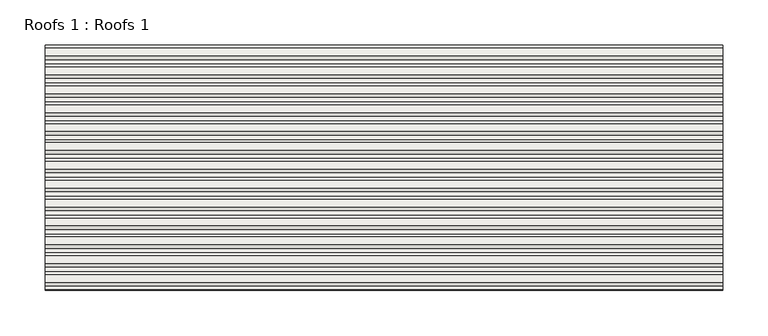
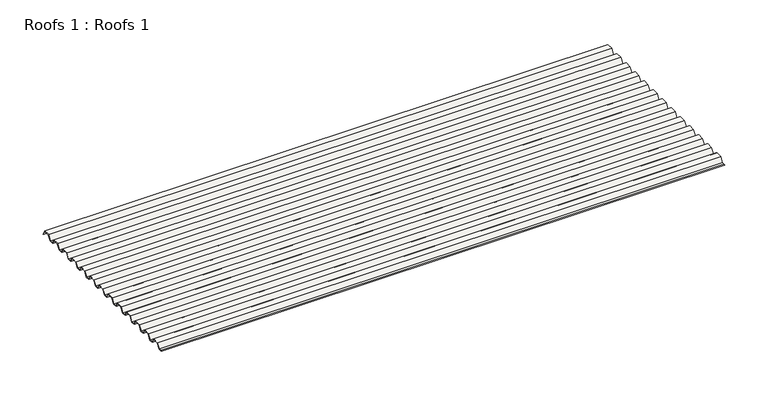
"""IFC4 building model written with IfcOpenShell, lengths in millimetres: roof geometry, Roofs 1 : Roofs 1."""

from ifc_helpers import new_model, si_unit, frame, origin, place, context, project, spatial, polyline, outline, extrude, source, transform, mapped, element, save


def roofs_1_roofs_1_76a8a15b(model_context):
    return source(origin(), model_context, "Body", "SweptSolid", [
        extrude(outline(polyline([(-9972.9350025, 23.8967546), (-9978.2553544, 23.8967546), (-9976.7737795, 24.2936296), (-9973.1504699, 24.2936296), (-9969.0285984, 30.639777), (-9960.3688636, 30.639777), (-9957.1359028, 24.2936296), (-9952.2742428, 24.2936296), (-9948.1523713, 30.639777), (-9939.4926365, 30.639777), (-9936.2596757, 24.2936296), (-9931.3980158, 24.2936296), (-9927.2761442, 30.639777), (-9918.6164094, 30.639777), (-9915.3834486, 24.2936296), (-9910.5217887, 24.2936296), (-9906.3999172, 30.639777), (-9897.7401824, 30.639777), (-9894.5072216, 24.2936296), (-9889.6455616, 24.2936296), (-9885.5236901, 30.639777), (-9876.8639553, 30.639777), (-9873.6309945, 24.2936296), (-9868.7693346, 24.2936296), (-9864.647463, 30.639777), (-9855.9877282, 30.639777), (-9852.7547674, 24.2936296), (-9847.8931075, 24.2936296), (-9843.7712359, 30.639777), (-9835.1115012, 30.639777), (-9831.8785404, 24.2936296), (-9827.0168804, 24.2936296), (-9822.8950089, 30.639777), (-9814.2352741, 30.639777), (-9811.0023133, 24.2936296), (-9806.1406534, 24.2936296), (-9802.0187818, 30.639777), (-9793.359047, 30.639777), (-9790.1260862, 24.2936296), (-9785.2644263, 24.2936296), (-9781.1425547, 30.639777), (-9772.4828199, 30.639777), (-9769.2498592, 24.2936296), (-9764.3881992, 24.2936296), (-9760.2663277, 30.639777), (-9751.6065929, 30.639777), (-9748.3736321, 24.2936296), (-9743.5119722, 24.2936296), (-9739.3901006, 30.639777), (-9730.7303658, 30.639777), (-9727.497405, 24.2936296), (-9722.6357451, 24.2936296), (-9718.5138735, 30.639777), (-9709.8541387, 30.639777), (-9706.89711, 24.8352711), (-9706.8644025, 23.8967546), (-9710.0973633, 30.242902), (-9718.2984061, 30.242902), (-9722.4202776, 23.8967546), (-9727.7406296, 23.8967546), (-9730.9735903, 30.242902), (-9739.1746331, 30.242902), (-9743.2965047, 23.8967546), (-9748.6168566, 23.8967546), (-9751.8498174, 30.242902), (-9760.0508602, 30.242902), (-9764.1727318, 23.8967546), (-9769.4930837, 23.8967546), (-9772.7260445, 30.242902), (-9780.9270873, 30.242902), (-9785.0489588, 23.8967546), (-9790.3693108, 23.8967546), (-9793.6022715, 30.242902), (-9801.8033144, 30.242902), (-9805.9251859, 23.8967546), (-9811.2455378, 23.8967546), (-9814.4784986, 30.242902), (-9822.6795414, 30.242902), (-9826.801413, 23.8967546), (-9832.1217649, 23.8967546), (-9835.3547257, 30.242902), (-9843.5557685, 30.242902), (-9847.67764, 23.8967546), (-9852.997992, 23.8967546), (-9856.2309528, 30.242902), (-9864.4319956, 30.242902), (-9868.5538671, 23.8967546), (-9873.874219, 23.8967546), (-9877.1071798, 30.242902), (-9885.3082226, 30.242902), (-9889.4300942, 23.8967546), (-9894.7504461, 23.8967546), (-9897.9834069, 30.242902), (-9906.1844497, 30.242902), (-9910.3063212, 23.8967546), (-9915.6266732, 23.8967546), (-9918.859634, 30.242902), (-9927.0606768, 30.242902), (-9931.1825483, 23.8967546), (-9936.5029002, 23.8967546), (-9939.735861, 30.242902), (-9947.9369038, 30.242902), (-9952.0587754, 23.8967546), (-9957.3791273, 23.8967546), (-9960.6120881, 30.242902), (-9968.8131309, 30.242902), (-9972.9350025, 23.8967546)])), frame((-2079.2765489, 0.0, 0.0), z_axis=(1.0, 0.0, 0.0), x_axis=(0.0, 1.0, 0.0)), (0.0, 0.0, 1.0), 748.3288715),
    ])


if __name__ == "__main__":
    model = new_model("IFC4")
    model_context = context("Model", 3, world=origin())
    ifc_project = project(units=[si_unit("LENGTHUNIT", "METRE", prefix="MILLI")], contexts=[model_context])
    site = spatial("IfcSite", under=ifc_project)
    building = spatial("IfcBuilding", under=site)
    placement = place(None, origin())
    roofs_1_roofs_1_shape = roofs_1_roofs_1_76a8a15b(model_context)
    element("IfcRoof", 1, ObjectType="Roofs 1 : Roofs 1", at=placement, inside=building, context=model_context, shape_type="MappedRepresentation", body=[
        mapped(roofs_1_roofs_1_shape, transform((0.0, 0.0, 0.0), x_axis=(1.0, 0.0, 0.0), y_axis=(0.0, 1.0, 0.0), z_axis=(0.0, 0.0, 1.0))),
    ])
    save(model, "model.ifc")
